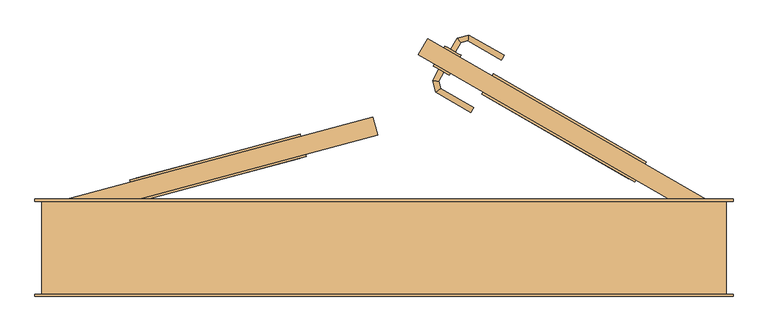
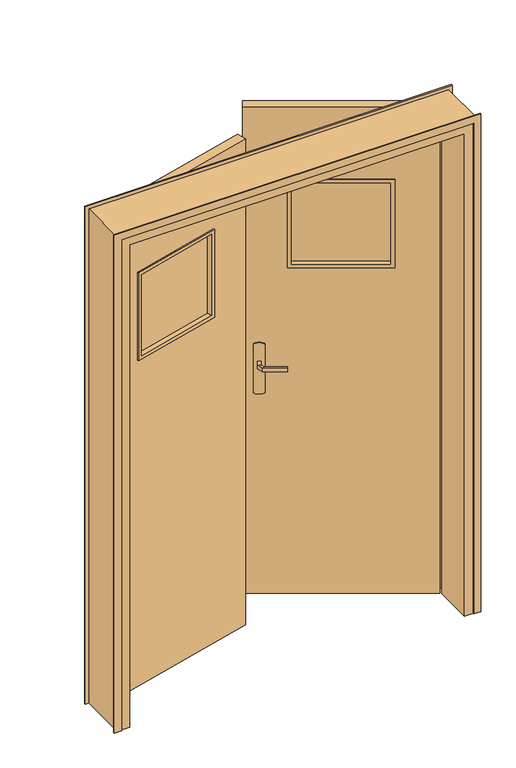
"""IFC4 building model written with IfcOpenShell, lengths in millimetres: door geometry."""

from ifc_helpers import new_model, si_unit, point, frame, frame_2d, origin, place, context, project, spatial, polyline, circle_curve, ellipse_curve, trimmed, segment, composite_curve, outline, extrude, faceted_brep, source, transform, mapped, element, save
from ifc_brep_helpers import plane_surface, cylinder_surface, advanced_brep


def door_0fb36186(model_context):
    return source(origin(), model_context, "Body", "SolidModel", [
        extrude(outline(polyline([(-216.5888359, 213.0259482), (-564.3221334, 119.851092), (-566.9103239, 129.5103503), (-219.1770264, 222.6852065), (-216.5888359, 213.0259482)])), frame((0.0, 0.0, 1420.0), z_axis=(0.0, 0.0, 1.0), x_axis=(1.0, 0.0, 0.0)), (0.0, 0.0, 1.0), 360.0),
        extrude(outline(polyline([(-700.0, 0.0), (0.0, 0.0), (0.0, -2100.0), (-700.0, -2100.0), (-700.0, 0.0)]), holes=[polyline([(-170.0, -680.0), (-170.0, -320.0), (-530.0, -320.0), (-530.0, -680.0), (-170.0, -680.0)])]), frame((-724.6472382, 61.3629669, 2100.0), z_axis=(-0.2588190451025206, 0.9659258262890684, 0.0), x_axis=(-0.9659258262890684, -0.2588190451025206, 0.0)), (0.0, 0.0, 1.0), 40.0),
        faceted_brep([(-564.3221334, 119.851092, 1420.0), (-560.4398477, 105.3622046, 1420.0), (-560.4398477, 105.3622046, 1780.0), (-564.3221334, 119.851092, 1780.0), (-554.3161234, 101.8266707, 1425.0), (-559.4925043, 121.1451872, 1425.0), (-559.4925043, 121.1451872, 1775.0), (-554.3161234, 101.8266707, 1775.0), (-570.099106, 102.7740142, 1410.0), (-568.8050108, 97.944385, 1410.0), (-568.8050108, 97.944385, 1790.0), (-570.099106, 102.7740142, 1790.0), (-212.7065503, 198.5370609, 1780.0), (-216.5888359, 213.0259482, 1780.0), (-221.4184651, 211.731853, 1775.0), (-216.2420842, 192.4133365, 1775.0), (-201.7531968, 196.2956222, 1790.0), (-203.047292, 201.1252513, 1790.0), (-212.7065503, 198.5370609, 1420.0), (-216.5888359, 213.0259482, 1420.0), (-221.4184651, 211.731853, 1425.0), (-216.2420842, 192.4133365, 1425.0), (-201.7531968, 196.2956222, 1410.0), (-203.047292, 201.1252513, 1410.0)], [[[0, 1, 2, 3]], [[4, 5, 6, 7]], [[8, 9, 10, 11]], [[3, 2, 12, 13]], [[7, 6, 14, 15]], [[11, 10, 16, 17]], [[13, 12, 18, 19]], [[15, 14, 20, 21]], [[17, 16, 22, 23]], [[19, 18, 1, 0]], [[3, 13, 19, 0], [5, 20, 14, 6]], [[21, 20, 5, 4]], [[9, 22, 16, 10], [7, 15, 21, 4]], [[23, 22, 9, 8]], [[11, 17, 23, 8], [1, 18, 12, 2]]]),
        faceted_brep([(-219.1770264, 222.6852065, 1420.0), (-223.0593121, 237.1740939, 1420.0), (-223.0593121, 237.1740939, 1780.0), (-219.1770264, 222.6852065, 1780.0), (-229.1830364, 240.7096278, 1425.0), (-224.0066555, 221.3911113, 1425.0), (-224.0066555, 221.3911113, 1775.0), (-229.1830364, 240.7096278, 1775.0), (-213.4000538, 239.7622844, 1410.0), (-214.694149, 244.5919135, 1410.0), (-214.694149, 244.5919135, 1790.0), (-213.4000538, 239.7622844, 1790.0), (-570.7926095, 143.9992377, 1780.0), (-566.9103239, 129.5103503, 1780.0), (-562.0806947, 130.8044455, 1775.0), (-567.2570756, 150.122962, 1775.0), (-581.745963, 146.2406763, 1790.0), (-580.4518678, 141.4110472, 1790.0), (-570.7926095, 143.9992377, 1420.0), (-566.9103239, 129.5103503, 1420.0), (-562.0806947, 130.8044455, 1425.0), (-567.2570756, 150.122962, 1425.0), (-581.745963, 146.2406763, 1410.0), (-580.4518678, 141.4110472, 1410.0)], [[[0, 1, 2, 3]], [[4, 5, 6, 7]], [[8, 9, 10, 11]], [[3, 2, 12, 13]], [[7, 6, 14, 15]], [[11, 10, 16, 17]], [[13, 12, 18, 19]], [[15, 14, 20, 21]], [[17, 16, 22, 23]], [[19, 18, 1, 0]], [[3, 13, 19, 0], [5, 20, 14, 6]], [[21, 20, 5, 4]], [[9, 22, 16, 10], [7, 15, 21, 4]], [[23, 22, 9, 8]], [[11, 17, 23, 8], [1, 18, 12, 2]]]),
        extrude(outline(composite_curve([segment(trimmed(circle_curve(frame_2d((0.0, 40.0)), 40.0), [point((34.6410162, 60.0))], [point((34.6410162, 19.9999999))], False, "CARTESIAN"), True, "CONTINUOUS"), segment(polyline([(34.6410162, 19.9999999), (-175.3589838, 19.9999999)]), True, "CONTINUOUS"), segment(trimmed(circle_curve(frame_2d((-140.7179676, 40.0)), 40.0), [point((-175.3589838, 19.9999999))], [point((-175.3589838, 60.0))], False, "CARTESIAN"), True, "CONTINUOUS"), segment(polyline([(-175.3589838, 60.0), (34.6410162, 60.0)]), True, "CONTINUOUS")], self_intersect=False)), frame((145.3847577, 400.0, 904.6410162), z_axis=(0.49999999999999956, 0.866025403784439, 0.0), x_axis=(0.0, 0.0, -1.0)), (0.0, 0.0, 1.0), 5.0),
        extrude(outline(composite_curve([segment(trimmed(circle_curve(frame_2d((0.0, 40.0)), 40.0), [point((-34.6410162, 19.9999999))], [point((-34.6410162, 60.0))], False, "CARTESIAN"), True, "CONTINUOUS"), segment(polyline([(-34.6410162, 60.0), (175.3589838, 60.0)]), True, "CONTINUOUS"), segment(trimmed(circle_curve(frame_2d((140.7179676, 40.0)), 40.0), [point((175.3589838, 60.0))], [point((175.3589838, 19.9999999))], False, "CARTESIAN"), True, "CONTINUOUS"), segment(polyline([(175.3589838, 19.9999999), (-34.6410162, 19.9999999)]), True, "CONTINUOUS")], self_intersect=False)), frame((122.8847577, 361.0288568, 1045.3589838), z_axis=(0.49999999999999956, 0.866025403784439, 0.0), x_axis=(0.0, 0.0, -1.0)), (0.0, 0.0, 1.0), 5.0),
        advanced_brep(
        [(108.0475892, 427.330127, 1007.0), (108.0475892, 427.330127, 993.0), (118.439894, 421.330127, 993.0), (118.439894, 421.330127, 1007.0), (129.780088, 440.9719192, 1007.0), (121.8730645, 451.2765528, 1007.0), (129.780088, 440.9719192, 993.0), (121.8730645, 451.2765528, 993.0), (145.2814338, 445.1254922, 1007.0), (146.9768002, 458.0030785, 1007.0), (145.2814338, 445.1254922, 993.0), (146.9768002, 458.0030785, 993.0), (222.8765055, 414.1823632, 1007.0), (216.8765055, 403.7900583, 1007.0), (216.8765055, 403.7900583, 993.0), (222.8765055, 414.1823632, 993.0)],
        [
            (0, 1),
            (1, 2, circle_curve(frame((113.2437416, 424.330127, 1013.0457722), z_axis=(-0.5000000000000023, -0.8660254037844374, 0.0), x_axis=(0.8660254037844374, -0.5000000000000023, 0.0)), 20.9244589)),
            (2, 3),
            (3, 0, circle_curve(frame((113.2437416, 424.330127, 986.9542278), z_axis=(-0.5000000000000023, -0.8660254037844374, 0.0), x_axis=(0.8660254037844374, -0.5000000000000023, 0.0)), 20.9244589)),
            (3, 4),
            (4, 5, ellipse_curve(frame((125.8265762, 446.124236, 986.9542278), z_axis=(-0.7933533402912497, -0.608761429008702, 0.0), x_axis=(0.6087614290087028, -0.7933533402912489, 0.0)), 22.6484711, 20.9244589)),
            (5, 0),
            (2, 6),
            (6, 4),
            (1, 7),
            (7, 6, ellipse_curve(frame((125.8265762, 446.124236, 1013.0457722), z_axis=(-0.7933533402912497, -0.608761429008702, 0.0), x_axis=(0.6087614290087028, -0.7933533402912489, 0.0)), 22.6484711, 20.9244589)),
            (5, 7),
            (4, 8),
            (8, 9, ellipse_curve(frame((146.129117, 451.5642854, 986.9542278), z_axis=(-0.9914448613738073, 0.13052619222007522, 0.0), x_axis=(-0.13052619222007525, -0.9914448613738074, 0.0)), 22.6484711, 20.9244589)),
            (9, 5),
            (6, 10),
            (10, 8),
            (7, 11),
            (11, 10, ellipse_curve(frame((146.129117, 451.5642854, 1013.0457722), z_axis=(-0.9914448613738073, 0.13052619222007522, 0.0), x_axis=(-0.13052619222007525, -0.9914448613738074, 0.0)), 22.6484711, 20.9244589)),
            (9, 11),
            (12, 13, circle_curve(frame((219.8765055, 408.9862107, 986.9542278), z_axis=(0.8660254037844373, -0.5000000000000026, 0.0), x_axis=(-0.5000000000000026, -0.8660254037844373, 0.0)), 20.9244589)),
            (13, 14),
            (14, 15, circle_curve(frame((219.8765055, 408.9862107, 1013.0457722), z_axis=(0.8660254037844373, -0.5000000000000026, 0.0), x_axis=(-0.5000000000000026, -0.8660254037844373, 0.0)), 20.9244589)),
            (15, 12),
            (8, 13),
            (12, 9),
            (10, 14),
            (11, 15),
        ],
        [
            plane_surface(frame((105.2593819, 428.9398992, 1000.0), z_axis=(-0.5000000000000023, -0.8660254037844374, 0.0), x_axis=(0.0, 0.0, -1.0))),
            cylinder_surface(frame((113.2437416, 424.330127, 986.9542278), z_axis=(-0.5000000000000023, -0.8660254037844374, 0.0), x_axis=(0.8660254037844374, -0.5000000000000023, 0.0)), 20.9244589),
            plane_surface(frame((118.439894, 421.330127, 1007.0), z_axis=(0.8660254037844374, -0.5000000000000023, 0.0), x_axis=(0.5000000000000023, 0.8660254037844374, 0.0))),
            cylinder_surface(frame((113.2437416, 424.330127, 1013.0457722), z_axis=(-0.5000000000000023, -0.8660254037844374, 0.0), x_axis=(0.8660254037844374, -0.5000000000000023, 0.0)), 20.9244589),
            plane_surface(frame((108.0475892, 427.330127, 993.0), z_axis=(-0.8660254037844374, 0.5000000000000023, 0.0), x_axis=(0.5000000000000023, 0.8660254037844374, 0.0))),
            cylinder_surface(frame((125.8265762, 446.124236, 986.9542278), z_axis=(-0.9659258262890799, -0.25881904510247755, 0.0), x_axis=(0.25881904510247755, -0.9659258262890799, 0.0)), 20.9244589),
            plane_surface(frame((129.780088, 440.9719192, 1007.0), z_axis=(0.2588190451024775, -0.96592582628908, 0.0), x_axis=(0.96592582628908, 0.2588190451024775, 0.0))),
            cylinder_surface(frame((125.8265762, 446.124236, 1013.0457722), z_axis=(-0.9659258262890799, -0.25881904510247755, 0.0), x_axis=(0.25881904510247755, -0.9659258262890799, 0.0)), 20.9244589),
            plane_surface(frame((121.8730645, 451.2765528, 993.0), z_axis=(-0.2588190451024778, 0.9659258262890799, 0.0), x_axis=(0.9659258262890799, 0.2588190451024778, 0.0))),
            plane_surface(frame((219.8765055, 408.9862107, 990.7804555), z_axis=(0.8660254037844374, -0.5000000000000023, 0.0), x_axis=(-0.5000000000000023, -0.8660254037844374, 0.0))),
            cylinder_surface(frame((146.129117, 451.5642854, 986.9542278), z_axis=(-0.8660254037844373, 0.5000000000000026, 0.0), x_axis=(-0.5000000000000026, -0.8660254037844373, 0.0)), 20.9244589),
            plane_surface(frame((145.2814338, 445.1254922, 1007.0), z_axis=(-0.5000000000000023, -0.8660254037844374, 0.0), x_axis=(0.8660254037844374, -0.5000000000000023, 0.0))),
            cylinder_surface(frame((146.129117, 451.5642854, 1013.0457722), z_axis=(-0.8660254037844373, 0.5000000000000026, 0.0), x_axis=(-0.5000000000000026, -0.8660254037844373, 0.0)), 20.9244589),
            plane_surface(frame((146.9768002, 458.0030785, 993.0), z_axis=(0.5000000000000023, 0.8660254037844374, 0.0), x_axis=(0.8660254037844374, -0.5000000000000023, 0.0))),
        ],
        [
            (0, [[1, 2, 3, 4]]),
            (1, [[5, 6, 7, -4]]),
            (2, [[8, 9, -5, -3]]),
            (3, [[10, 11, -8, -2]]),
            (4, [[-7, 12, -10, -1]]),
            (5, [[13, 14, 15, -6]]),
            (6, [[16, 17, -13, -9]]),
            (7, [[18, 19, -16, -11]]),
            (8, [[-15, 20, -18, -12]]),
            (9, [[21, 22, 23, 24]]),
            (10, [[25, -21, 26, -14]]),
            (11, [[27, -22, -25, -17]]),
            (12, [[28, -23, -27, -19]]),
            (13, [[-26, -24, -28, -20]]),
        ],
    ),
        advanced_brep(
        [(93.439894, 378.0288568, 993.0), (83.0475892, 384.0288568, 993.0), (83.0475892, 384.0288568, 1007.0), (93.439894, 378.0288568, 1007.0), (82.1972917, 358.5560985, 1007.0), (82.1972917, 358.5560985, 993.0), (69.3197055, 360.2514649, 1007.0), (69.3197055, 360.2514649, 993.0), (86.4011965, 342.8669124, 1007.0), (86.4011965, 342.8669124, 993.0), (76.0965629, 334.9598889, 1007.0), (76.0965629, 334.9598889, 993.0), (157.9006888, 301.5866612, 993.0), (157.9006888, 301.5866612, 1007.0), (151.9006888, 291.1943564, 1007.0), (151.9006888, 291.1943564, 993.0)],
        [
            (0, 1, circle_curve(frame((88.2437416, 381.0288568, 1013.0457722), z_axis=(0.5000000000000023, 0.8660254037844374, 0.0), x_axis=(-0.8660254037844374, 0.5000000000000023, 0.0)), 20.9244589)),
            (1, 2),
            (2, 3, circle_curve(frame((88.2437416, 381.0288568, 986.9542278), z_axis=(0.5000000000000023, 0.8660254037844374, 0.0), x_axis=(-0.8660254037844374, 0.5000000000000023, 0.0)), 20.9244589)),
            (3, 0),
            (3, 4),
            (4, 5),
            (5, 0),
            (2, 6),
            (6, 4, ellipse_curve(frame((75.7584986, 359.4037817, 986.9542278), z_axis=(0.1305261922200337, 0.9914448613738127, 0.0), x_axis=(0.9914448613738128, -0.13052619222003342, 0.0)), 22.6484711, 20.9244589)),
            (1, 7),
            (7, 6),
            (5, 7, ellipse_curve(frame((75.7584986, 359.4037817, 1013.0457722), z_axis=(0.1305261922200337, 0.9914448613738127, 0.0), x_axis=(0.9914448613738128, -0.13052619222003342, 0.0)), 22.6484711, 20.9244589)),
            (4, 8),
            (8, 9),
            (9, 5),
            (6, 10),
            (10, 8, ellipse_curve(frame((81.2488797, 338.9134007, 986.9542278), z_axis=(-0.608761429008735, 0.7933533402912243, 0.0), x_axis=(0.7933533402912246, 0.6087614290087345, 0.0)), 22.6484711, 20.9244589)),
            (7, 11),
            (11, 10),
            (9, 11, ellipse_curve(frame((81.2488797, 338.9134007, 1013.0457722), z_axis=(-0.608761429008735, 0.7933533402912243, 0.0), x_axis=(0.7933533402912246, 0.6087614290087345, 0.0)), 22.6484711, 20.9244589)),
            (12, 13),
            (13, 14, circle_curve(frame((154.9006888, 296.3905088, 986.9542278), z_axis=(0.8660254037844374, -0.5000000000000023, 0.0), x_axis=(-0.5000000000000023, -0.8660254037844374, 0.0)), 20.9244589)),
            (14, 15),
            (15, 12, circle_curve(frame((154.9006888, 296.3905088, 1013.0457722), z_axis=(0.8660254037844374, -0.5000000000000023, 0.0), x_axis=(-0.5000000000000023, -0.8660254037844374, 0.0)), 20.9244589)),
            (8, 13),
            (12, 9),
            (10, 14),
            (11, 15),
        ],
        [
            plane_surface(frame((80.2593819, 385.6386291, 1000.0), z_axis=(0.5000000000000023, 0.8660254037844374, 0.0), x_axis=(0.0, 0.0, 1.0))),
            plane_surface(frame((93.439894, 378.0288568, 993.0), z_axis=(0.8660254037844374, -0.5000000000000023, 0.0), x_axis=(-0.5000000000000023, -0.8660254037844374, 0.0))),
            cylinder_surface(frame((88.2437416, 381.0288568, 986.9542278), z_axis=(0.5000000000000023, 0.8660254037844374, 0.0), x_axis=(-0.8660254037844374, 0.5000000000000023, 0.0)), 20.9244589),
            plane_surface(frame((83.0475892, 384.0288568, 1007.0), z_axis=(-0.8660254037844374, 0.5000000000000023, 0.0), x_axis=(-0.5000000000000023, -0.8660254037844374, 0.0))),
            cylinder_surface(frame((88.2437416, 381.0288568, 1013.0457722), z_axis=(0.5000000000000023, 0.8660254037844374, 0.0), x_axis=(-0.8660254037844374, 0.5000000000000023, 0.0)), 20.9244589),
            plane_surface(frame((82.1972917, 358.5560985, 993.0), z_axis=(0.9659258262890583, 0.2588190451025582, 0.0), x_axis=(0.2588190451025582, -0.9659258262890583, 0.0))),
            cylinder_surface(frame((75.7584986, 359.4037817, 986.9542278), z_axis=(-0.2588190451025582, 0.9659258262890583, 0.0), x_axis=(-0.9659258262890583, -0.2588190451025582, 0.0)), 20.9244589),
            plane_surface(frame((69.3197055, 360.2514649, 1007.0), z_axis=(-0.9659258262890582, -0.25881904510255827, 0.0), x_axis=(0.25881904510255827, -0.9659258262890582, 0.0))),
            cylinder_surface(frame((75.7584986, 359.4037817, 1013.0457722), z_axis=(-0.2588190451025582, 0.9659258262890583, 0.0), x_axis=(-0.9659258262890583, -0.2588190451025582, 0.0)), 20.9244589),
            plane_surface(frame((154.9006888, 296.3905088, 990.7804555), z_axis=(0.8660254037844374, -0.5000000000000023, 0.0), x_axis=(-0.5000000000000023, -0.8660254037844374, 0.0))),
            plane_surface(frame((86.4011965, 342.8669124, 993.0), z_axis=(0.5000000000000023, 0.8660254037844374, 0.0), x_axis=(0.8660254037844374, -0.5000000000000023, 0.0))),
            cylinder_surface(frame((81.2488797, 338.9134007, 986.9542278), z_axis=(-0.8660254037844374, 0.5000000000000023, 0.0), x_axis=(-0.5000000000000023, -0.8660254037844374, 0.0)), 20.9244589),
            plane_surface(frame((76.0965629, 334.9598889, 1007.0), z_axis=(-0.5000000000000023, -0.8660254037844374, 0.0), x_axis=(0.8660254037844374, -0.5000000000000023, 0.0))),
            cylinder_surface(frame((81.2488797, 338.9134007, 1013.0457722), z_axis=(-0.8660254037844374, 0.5000000000000023, 0.0), x_axis=(-0.5000000000000023, -0.8660254037844374, 0.0)), 20.9244589),
        ],
        [
            (0, [[1, 2, 3, 4]]),
            (1, [[5, 6, 7, -4]]),
            (2, [[8, 9, -5, -3]]),
            (3, [[10, 11, -8, -2]]),
            (4, [[-7, 12, -10, -1]]),
            (5, [[13, 14, 15, -6]]),
            (6, [[16, 17, -13, -9]]),
            (7, [[18, 19, -16, -11]]),
            (8, [[-15, 20, -18, -12]]),
            (9, [[21, 22, 23, 24]]),
            (10, [[25, -21, 26, -14]]),
            (11, [[27, -22, -25, -17]]),
            (12, [[28, -23, -27, -19]]),
            (13, [[-26, -24, -28, -20]]),
        ],
    ),
        extrude(outline(polyline([(193.506536, 343.3493649), (198.506536, 352.0096189), (510.2756814, 172.0096189), (505.2756814, 163.3493649), (193.506536, 343.3493649)])), frame((0.0, 0.0, 1420.0), z_axis=(0.0, 0.0, 1.0), x_axis=(1.0, 0.0, 0.0)), (0.0, 0.0, 1.0), 360.0),
        extrude(outline(polyline([(-700.0, 0.0), (-700.0, 2100.0), (0.0, 2100.0), (0.0, 0.0), (-700.0, 0.0)]), holes=[polyline([(-170.0, 680.0), (-530.0, 680.0), (-530.0, 320.0), (-170.0, 320.0), (-170.0, 680.0)])]), frame((645.0, 65.3589838, 2100.0), z_axis=(0.49999999999999956, 0.8660254037844389, 0.0), x_axis=(0.8660254037844389, -0.49999999999999956, 0.0)), (0.0, 0.0, 1.0), 40.0),
        faceted_brep([(505.2756814, 163.3493649, 1420.0), (505.2756814, 163.3493649, 1780.0), (497.7756814, 150.3589838, 1780.0), (497.7756814, 150.3589838, 1420.0), (490.9455543, 148.5288568, 1425.0), (490.9455543, 148.5288568, 1775.0), (500.9455543, 165.8493649, 1775.0), (500.9455543, 165.8493649, 1425.0), (506.4359354, 145.3589838, 1410.0), (506.4359354, 145.3589838, 1790.0), (503.9359354, 141.0288568, 1790.0), (503.9359354, 141.0288568, 1410.0), (193.506536, 343.3493649, 1780.0), (186.006536, 330.3589838, 1780.0), (187.836663, 323.5288568, 1775.0), (197.836663, 340.8493649, 1775.0), (177.346282, 335.3589838, 1790.0), (174.846282, 331.0288568, 1790.0), (193.506536, 343.3493649, 1420.0), (186.006536, 330.3589838, 1420.0), (187.836663, 323.5288568, 1425.0), (197.836663, 340.8493649, 1425.0), (177.346282, 335.3589838, 1410.0), (174.846282, 331.0288568, 1410.0)], [[[0, 1, 2, 3]], [[4, 5, 6, 7]], [[8, 9, 10, 11]], [[1, 12, 13, 2]], [[5, 14, 15, 6]], [[9, 16, 17, 10]], [[12, 18, 19, 13]], [[14, 20, 21, 15]], [[16, 22, 23, 17]], [[18, 0, 3, 19]], [[1, 0, 18, 12], [7, 6, 15, 21]], [[20, 4, 7, 21]], [[11, 10, 17, 23], [5, 4, 20, 14]], [[22, 8, 11, 23]], [[9, 8, 22, 16], [3, 2, 13, 19]]]),
        faceted_brep([(198.506536, 352.0096189, 1420.0), (198.506536, 352.0096189, 1780.0), (206.006536, 365.0, 1780.0), (206.006536, 365.0, 1420.0), (212.836663, 366.830127, 1425.0), (212.836663, 366.830127, 1775.0), (202.836663, 349.5096189, 1775.0), (202.836663, 349.5096189, 1425.0), (197.346282, 370.0, 1410.0), (197.346282, 370.0, 1790.0), (199.846282, 374.330127, 1790.0), (199.846282, 374.330127, 1410.0), (510.2756814, 172.0096189, 1780.0), (517.7756814, 185.0, 1780.0), (515.9455543, 191.830127, 1775.0), (505.9455543, 174.5096189, 1775.0), (526.4359354, 180.0, 1790.0), (528.9359354, 184.330127, 1790.0), (510.2756814, 172.0096189, 1420.0), (517.7756814, 185.0, 1420.0), (515.9455543, 191.830127, 1425.0), (505.9455543, 174.5096189, 1425.0), (526.4359354, 180.0, 1410.0), (528.9359354, 184.330127, 1410.0)], [[[0, 1, 2, 3]], [[4, 5, 6, 7]], [[8, 9, 10, 11]], [[1, 12, 13, 2]], [[5, 14, 15, 6]], [[9, 16, 17, 10]], [[12, 18, 19, 13]], [[14, 20, 21, 15]], [[16, 22, 23, 17]], [[18, 0, 3, 19]], [[1, 0, 18, 12], [7, 6, 15, 21]], [[20, 4, 7, 21]], [[11, 10, 17, 23], [5, 4, 20, 14]], [[22, 8, 11, 23]], [[9, 8, 22, 16], [3, 2, 13, 19]]]),
        faceted_brep([(-770.0, 100.0, 0.0), (-735.0, 100.0, 0.0), (-735.0, 60.0, 0.0), (-720.0, 60.0, 0.0), (-720.0, -100.0, 0.0), (-770.0, -100.0, 0.0), (-770.0, -100.0, 2135.0), (-770.0, 100.0, 2135.0), (-720.0, -100.0, 2085.0), (650.0, -100.0, 2085.0), (650.0, -100.0, 0.0), (700.0, -100.0, 0.0), (700.0, -100.0, 2135.0), (-720.0, 60.0, 2085.0), (-735.0, 60.0, 2100.0), (665.0, 60.0, 2100.0), (665.0, 60.0, 0.0), (650.0, 60.0, 0.0), (650.0, 60.0, 2085.0), (-735.0, 100.0, 2100.0), (700.0, 100.0, 2135.0), (700.0, 100.0, 0.0), (665.0, 100.0, 0.0), (665.0, 100.0, 2100.0)], [[[0, 1, 2, 3, 4, 5]], [[5, 6, 7, 0]], [[4, 8, 9, 10, 11, 12, 6, 5]], [[3, 13, 8, 4]], [[2, 14, 15, 16, 17, 18, 13, 3]], [[1, 19, 14, 2]], [[0, 7, 20, 21, 22, 23, 19, 1]], [[12, 11, 21, 20]], [[21, 11, 10, 17, 16, 22]], [[18, 17, 10, 9]], [[23, 22, 16, 15]], [[6, 12, 20, 7]], [[13, 18, 9, 8]], [[19, 23, 15, 14]]]),
        extrude(outline(polyline([(0.0, -755.0), (2120.0, -755.0), (2120.0, 685.0), (0.0, 685.0), (0.0, 715.0), (2150.0, 715.0), (2150.0, -785.0), (0.0, -785.0), (0.0, -755.0)])), frame((0.0, -105.0, 0.0), z_axis=(0.0, 1.0, 0.0), x_axis=(0.0, 0.0, 1.0)), (0.0, 0.0, 1.0), 5.0),
        extrude(outline(polyline([(0.0, -755.0), (2120.0, -755.0), (2120.0, 685.0), (0.0, 685.0), (0.0, 715.0), (2150.0, 715.0), (2150.0, -785.0), (0.0, -785.0), (0.0, -755.0)])), frame((0.0, 100.0, 0.0), z_axis=(0.0, 1.0, 0.0), x_axis=(0.0, 0.0, 1.0)), (0.0, 0.0, 1.0), 5.0),
    ])


if __name__ == "__main__":
    model = new_model("IFC4")
    model_context = context("Model", 3, world=origin())
    ifc_project = project(units=[si_unit("LENGTHUNIT", "METRE", prefix="MILLI")], contexts=[model_context])
    site = spatial("IfcSite", under=ifc_project)
    building = spatial("IfcBuilding", under=site)
    placement = place(None, origin())
    door_shape = door_0fb36186(model_context)
    element("IfcDoor", 1, at=placement, inside=building, context=model_context, shape_type="MappedRepresentation", body=[
        mapped(door_shape, transform((0.0, 0.0, 0.0), x_axis=(1.0, 0.0, 0.0), y_axis=(0.0, 1.0, 0.0), z_axis=(0.0, 0.0, 1.0))),
    ])
    save(model, "model.ifc")
